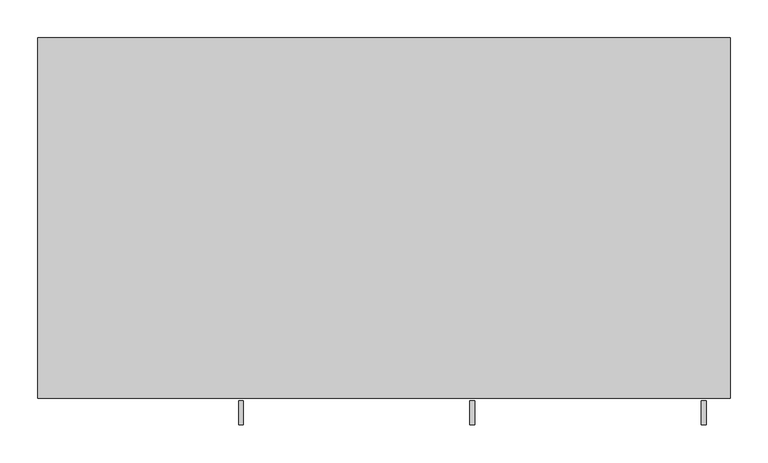
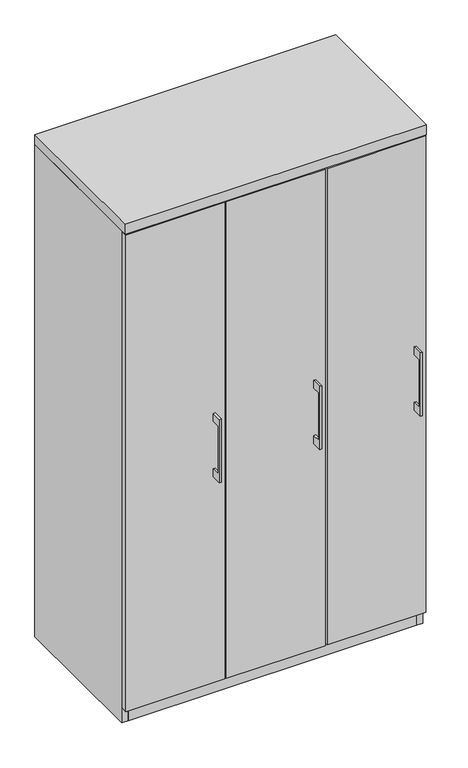
"""IFC4 building model written with IfcOpenShell, lengths in millimetres: furniture geometry."""

from ifc_helpers import new_model, si_unit, frame, origin, origin_with_axes, place, context, project, spatial, polyline, outline, extrude, source, transform, mapped, element, save


def furniture_9f2b367e(model_context):
    return source(origin(), model_context, "Body", "SweptSolid", [
        extrude(outline(polyline([(-479.425, 889.0), (-504.8249758, 889.0), (-504.8249758, 736.6), (-479.425, 736.6), (-479.425, 711.2), (-511.1749879, 711.2), (-511.1749879, 914.4), (-479.425, 914.4), (-479.425, 889.0)])), frame((113.5062621, 0.0, 0.0), z_axis=(1.0, 0.0, 0.0), x_axis=(0.0, 1.0, 0.0)), (0.0, 0.0, 1.0), 6.3499758),
        extrude(outline(polyline([(150.01875, -476.25), (-150.01875, -476.25), (-150.01875, -457.2), (150.01875, -457.2), (150.01875, -476.25)])), frame((0.0, 0.0, 47.625), z_axis=(0.0, 0.0, 1.0), x_axis=(1.0, 0.0, 0.0)), (0.0, 0.0, 1.0), 1530.35),
        extrude(outline(polyline([(-479.425, 889.0), (-504.8249758, 889.0), (-504.8249758, 736.6), (-479.425, 736.6), (-479.425, 711.2), (-511.1749879, 711.2), (-511.1749879, 914.4), (-479.425, 914.4), (-479.425, 889.0)])), frame((419.1000121, 0.0, 0.0), z_axis=(1.0, 0.0, 0.0), x_axis=(0.0, 1.0, 0.0)), (0.0, 0.0, 1.0), 6.3499758),
        extrude(outline(polyline([(455.6125, -476.25), (155.575, -476.25), (155.575, -457.2), (455.6125, -457.2), (455.6125, -476.25)])), frame((0.0, 0.0, 47.625), z_axis=(0.0, 0.0, 1.0), x_axis=(1.0, 0.0, 0.0)), (0.0, 0.0, 1.0), 1530.35),
        extrude(outline(polyline([(-479.425, 889.0), (-504.8249758, 889.0), (-504.8249758, 736.6), (-479.425, 736.6), (-479.425, 711.2), (-511.1749879, 711.2), (-511.1749879, 914.4), (-479.425, 914.4), (-479.425, 889.0)])), frame((-192.0874879, 0.0, 0.0), z_axis=(1.0, 0.0, 0.0), x_axis=(0.0, 1.0, 0.0)), (0.0, 0.0, 1.0), 6.3499758),
        extrude(outline(polyline([(-155.575, -476.25), (-455.6125, -476.25), (-455.6125, -457.2), (-155.575, -457.2), (-155.575, -476.25)])), frame((0.0, 0.0, 47.625), z_axis=(0.0, 0.0, 1.0), x_axis=(1.0, 0.0, 0.0)), (0.0, 0.0, 1.0), 1530.35),
        extrude(outline(polyline([(-136.525, -19.05), (-136.525, -457.2), (-155.575, -457.2), (-155.575, -19.05), (-136.525, -19.05)])), frame((0.0, 0.0, 47.625), z_axis=(0.0, 0.0, 1.0), x_axis=(1.0, 0.0, 0.0)), (0.0, 0.0, 1.0), 1533.525),
        extrude(outline(polyline([(155.575, -19.05), (155.575, -457.2), (136.525, -457.2), (136.525, -19.05), (155.575, -19.05)])), frame((0.0, 0.0, 47.625), z_axis=(0.0, 0.0, 1.0), x_axis=(1.0, 0.0, 0.0)), (0.0, 0.0, 1.0), 1533.525),
        extrude(outline(polyline([(438.15, -19.05), (438.15, -457.2), (-438.15, -457.2), (-438.15, -19.05), (438.15, -19.05)])), origin_with_axes(), (0.0, 0.0, 1.0), 47.625),
        extrude(outline(polyline([(457.2, 0.0), (457.2, -476.25), (-457.2, -476.25), (-457.2, 0.0), (457.2, 0.0)])), frame((0.0, 0.0, 1581.15), z_axis=(0.0, 0.0, 1.0), x_axis=(1.0, 0.0, 0.0)), (0.0, 0.0, 1.0), 31.75),
        extrude(outline(polyline([(457.2, 0.0), (457.2, -457.2), (438.15, -457.2), (438.15, -19.05), (-438.15, -19.05), (-438.15, -457.2), (-457.2, -457.2), (-457.2, 0.0), (457.2, 0.0)])), origin_with_axes(), (0.0, 0.0, 1.0), 1581.15),
    ])


if __name__ == "__main__":
    model = new_model("IFC4")
    model_context = context("Model", 3, world=origin())
    ifc_project = project(units=[si_unit("LENGTHUNIT", "METRE", prefix="MILLI")], contexts=[model_context])
    site = spatial("IfcSite", under=ifc_project)
    building = spatial("IfcBuilding", under=site)
    placement = place(None, origin())
    furniture_shape = furniture_9f2b367e(model_context)
    element("IfcFurniture", 1, at=placement, inside=building, context=model_context, shape_type="MappedRepresentation", body=[
        mapped(furniture_shape, transform((0.0, 0.0, 0.0), x_axis=(1.0, 0.0, 0.0), y_axis=(0.0, 1.0, 0.0), z_axis=(0.0, 0.0, 1.0))),
    ])
    save(model, "model.ifc")
